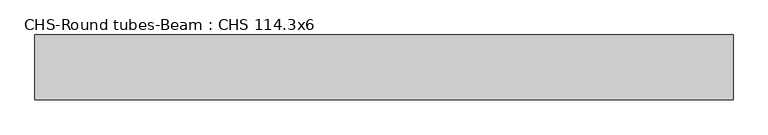
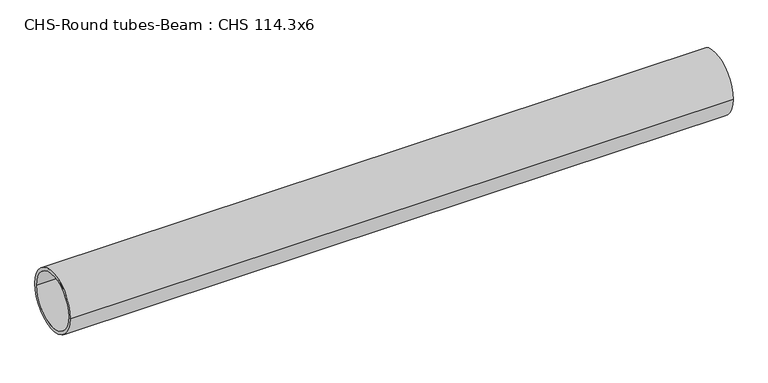
"""IFC4 building model written with IfcOpenShell, lengths in millimetres: beam geometry, CHS-Round tubes-Beam : CHS 114.3x6."""

from ifc_helpers import new_model, si_unit, point, frame, origin, origin_2d, place, context, project, spatial, circle_curve, trimmed, segment, composite_curve, outline, extrude, source, transform, mapped, element, save


def chs_round_tubes_beam_chs_114_3x6_79af8960(model_context):
    return source(origin(), model_context, "Body", "SweptSolid", [
        extrude(outline(composite_curve([segment(trimmed(circle_curve(origin_2d(), 57.15), [point((57.15, 0.0))], [point((-57.15, 0.0))], False, "CARTESIAN"), True, "CONTINUOUS"), segment(trimmed(circle_curve(origin_2d(), 57.15), [point((-57.15, 0.0))], [point((57.15, 0.0))], False, "CARTESIAN"), True, "CONTINUOUS")], self_intersect=False), holes=[composite_curve([segment(trimmed(circle_curve(origin_2d(), 51.15), [point((51.15, 0.0))], [point((-51.15, 0.0))], True, "CARTESIAN"), True, "CONTINUOUS"), segment(trimmed(circle_curve(origin_2d(), 51.15), [point((-51.15, 0.0))], [point((51.15, 0.0))], True, "CARTESIAN"), True, "CONTINUOUS")], self_intersect=False)]), frame((-610.3897555, 0.0, 0.0), z_axis=(1.0, 0.0, 0.0), x_axis=(0.0, 1.0, 0.0)), (0.0, 0.0, 1.0), 1233.4282357),
    ])


if __name__ == "__main__":
    model = new_model("IFC4")
    model_context = context("Model", 3, world=origin())
    ifc_project = project(units=[si_unit("LENGTHUNIT", "METRE", prefix="MILLI")], contexts=[model_context])
    site = spatial("IfcSite", under=ifc_project)
    building = spatial("IfcBuilding", under=site)
    placement = place(None, origin())
    chs_round_tubes_beam_chs_114_3x6_shape = chs_round_tubes_beam_chs_114_3x6_79af8960(model_context)
    element("IfcBeam", 1, ObjectType="CHS-Round tubes-Beam : CHS 114.3x6", at=placement, inside=building, context=model_context, shape_type="MappedRepresentation", body=[
        mapped(chs_round_tubes_beam_chs_114_3x6_shape, transform((0.0, 0.0, 0.0), x_axis=(1.0, 0.0, 0.0), y_axis=(0.0, 1.0, 0.0), z_axis=(0.0, 0.0, 1.0))),
    ])
    save(model, "model.ifc")
